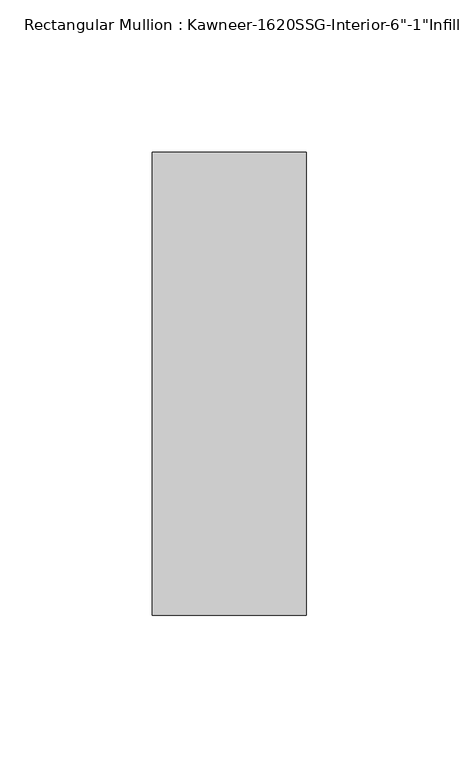
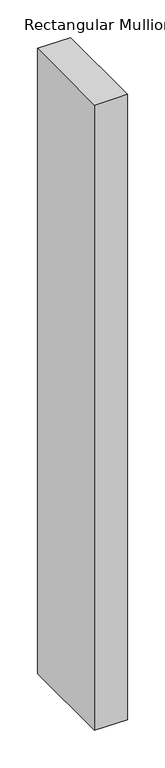
"""IFC4 building model written with IfcOpenShell, lengths in millimetres: member geometry."""

import ifcopenshell
import ifcopenshell.guid

model = None  # the IFC model being written
_history = None  # IfcOwnerHistory: only IFC2X3 demands one
_inside = {}  # id of a spatial element -> (the spatial element, [elements in it])
_under = {}  # id of a project, library or spatial element -> (it, [spatial elements below it])
_declared = {}  # id of a project -> (the project, [libraries it declares])
_typed = {}  # id of a type object -> (the type object, [elements of that type])
_made_of = {}  # id of a material, layer set ... -> (it, [elements and type objects made of it])


def new_model(schema):
    """Start an empty IFC model of exactly this schema.

    Asked for "IFC4X3", IfcOpenShell would pick the latest addendum, in which some entities
    have other attributes; the version numbers below select the first issue.
    IFC2X3 requires an IfcOwnerHistory on every rooted entity: one is made here for all.
    """
    global model, _history
    if schema == "IFC4X3":
        model = ifcopenshell.file(schema_version=(4, 3, 0, 0))
    else:
        model = ifcopenshell.file(schema=schema)
    _inside.clear()
    _under.clear()
    _declared.clear()
    _typed.clear()
    _made_of.clear()
    _history = None
    if model.schema == "IFC2X3":
        org = make("IfcOrganization", Name="unknown")
        user = make(
            "IfcPersonAndOrganization",
            ThePerson=make("IfcPerson", FamilyName="unknown"),
            TheOrganization=org,
        )
        app = make(
            "IfcApplication",
            ApplicationDeveloper=org,
            Version="unknown",
            ApplicationFullName="unknown",
            ApplicationIdentifier="unknown",
        )
        _history = make(
            "IfcOwnerHistory",
            OwningUser=user,
            OwningApplication=app,
            ChangeAction="ADDED",
            CreationDate=0,
        )
    return model


def make(cls, **values):
    """One entity of the class cls with the attributes given. An attribute that is None is left unset."""
    return model.create_entity(
        cls, **{name: value for name, value in values.items() if value is not None}
    )


def rooted(cls, **values):
    """An entity with a GlobalId (a new one), such as an element, a storey or a relation."""
    return make(cls, GlobalId=ifcopenshell.guid.new(), OwnerHistory=_history, **values)


def si_unit(unit_type, name, prefix=None):
    """IfcSIUnit, for example si_unit("LENGTHUNIT", "METRE", prefix="MILLI")."""
    return make("IfcSIUnit", UnitType=unit_type, Prefix=prefix, Name=name)


def assignment(units):
    """IfcUnitAssignment: the units of a project."""
    return None if units is None else make("IfcUnitAssignment", Units=units)


def point(xyz):
    """IfcCartesianPoint."""
    return None if xyz is None else make("IfcCartesianPoint", Coordinates=xyz)


def direction(xyz):
    """IfcDirection."""
    return None if xyz is None else make("IfcDirection", DirectionRatios=xyz)


def frame(location, z_axis=None, x_axis=None):
    """IfcAxis2Placement3D, a coordinate frame: its origin and axes. An axis left out is left unset."""
    return make(
        "IfcAxis2Placement3D",
        Location=point(location),
        Axis=direction(z_axis),
        RefDirection=direction(x_axis),
    )


def origin():
    """The frame at (0, 0, 0) with its axes left unset."""
    return frame((0.0, 0.0, 0.0))


def place(relative_to, where):
    """IfcLocalPlacement: puts the frame where relative to a parent placement (None: the world)."""
    return make(
        "IfcLocalPlacement", PlacementRelTo=relative_to, RelativePlacement=where
    )


def context(
    kind, dimensions, precision=None, world=None, true_north=None, identifier=None
):
    """IfcGeometricRepresentationContext, for example the 3D "Model" context."""
    return make(
        "IfcGeometricRepresentationContext",
        ContextIdentifier=identifier,
        ContextType=kind,
        CoordinateSpaceDimension=dimensions,
        Precision=precision,
        WorldCoordinateSystem=world,
        TrueNorth=true_north,
    )


def project(units=None, contexts=None):
    """IfcProject with its units and contexts."""
    return rooted(
        "IfcProject",
        Name="project",
        RepresentationContexts=contexts,
        UnitsInContext=assignment(units),
    )


def spatial(cls, under=None, at=None, **own):
    """A site, building, storey or space (cls), placed at a placement, below another one or the project."""
    s = rooted(cls, ObjectPlacement=at, **own)
    if under is not None:
        _under.setdefault(under.id(), (under, []))[1].append(s)
    return s


def polyline(points):
    """IfcPolyline through the points."""
    return make("IfcPolyline", Points=[point(p) for p in points])


def outline(outer, holes=None, kind="AREA"):
    """IfcArbitraryClosedProfileDef: a profile drawn as a closed curve; with holes, ...WithVoids."""
    if holes is None:
        return make("IfcArbitraryClosedProfileDef", ProfileType=kind, OuterCurve=outer)
    return make(
        "IfcArbitraryProfileDefWithVoids",
        ProfileType=kind,
        OuterCurve=outer,
        InnerCurves=holes,
    )


def extrude(swept, where, along, depth):
    """IfcExtrudedAreaSolid: the profile swept, set in the frame where, extruded along a direction by depth."""
    return make(
        "IfcExtrudedAreaSolid",
        SweptArea=swept,
        Position=where,
        ExtrudedDirection=direction(along),
        Depth=depth,
    )


def shape(context_of_items, identifier, shape_type, items):
    """IfcShapeRepresentation: the items that make up one representation, for example the "Body"."""
    return make(
        "IfcShapeRepresentation",
        ContextOfItems=context_of_items,
        RepresentationIdentifier=identifier,
        RepresentationType=shape_type,
        Items=items,
    )


def source(mapping_origin, context_of_items, identifier, shape_type, items):
    """IfcRepresentationMap: a shape defined once, which mapped items show again and again."""
    return make(
        "IfcRepresentationMap",
        MappingOrigin=mapping_origin,
        MappedRepresentation=shape(context_of_items, identifier, shape_type, items),
    )


def transform(
    local_origin,
    x_axis=None,
    y_axis=None,
    z_axis=None,
    scale=None,
    scale2=None,
    scale3=None,
    uniform=True,
):
    """IfcCartesianTransformationOperator3D, or its non-uniform kind. x_axis, y_axis, z_axis: its Axis1, 2, 3."""
    if uniform:
        return make(
            "IfcCartesianTransformationOperator3D",
            Axis1=direction(x_axis),
            Axis2=direction(y_axis),
            LocalOrigin=point(local_origin),
            Scale=scale,
            Axis3=direction(z_axis),
        )
    return make(
        "IfcCartesianTransformationOperator3DnonUniform",
        Axis1=direction(x_axis),
        Axis2=direction(y_axis),
        LocalOrigin=point(local_origin),
        Scale=scale,
        Axis3=direction(z_axis),
        Scale2=scale2,
        Scale3=scale3,
    )


def mapped(mapping_source, mapping_target):
    """IfcMappedItem: shows the shape of a source again, moved by a transform."""
    return make(
        "IfcMappedItem", MappingSource=mapping_source, MappingTarget=mapping_target
    )


def made_of(thing, what):
    """Note that an element or type object is made of a material, layer set ...; save() writes the relation."""
    if what is not None:
        _made_of.setdefault(what.id(), (what, []))[1].append(thing)
    return thing


def element(
    cls,
    number,
    at=None,
    inside=None,
    cuts=None,
    type_object=None,
    material=None,
    context=None,
    identifier="Body",
    shape_type=None,
    held_by="IfcProductDefinitionShape",
    body=None,
    shapes=None,
    **own,
):
    """One element of the class cls, such as IfcWall. Its Tag is "e" and its number.

    at: its placement. inside: the storey or other place that contains it. cuts: it is an
    opening in that element (IfcRelVoidsElement). A single representation is given by context,
    identifier, shape_type and body (its items); several are given by shapes. held_by: the class
    of the entity that holds the representations. save() writes the other relations.
    """
    e = rooted(cls, Tag="e%d" % number, ObjectPlacement=at, **own)
    if body is not None:
        shapes = [shape(context, identifier, shape_type, body)]
    if shapes is not None:
        e.Representation = make(held_by, Representations=shapes)
    if inside is not None:
        _inside.setdefault(inside.id(), (inside, []))[1].append(e)
    if cuts is not None:
        rooted(
            "IfcRelVoidsElement", RelatingBuildingElement=cuts, RelatedOpeningElement=e
        )
    if type_object is not None:
        _typed.setdefault(type_object.id(), (type_object, []))[1].append(e)
    return made_of(e, material)


def aggregate(whole, parts):
    """IfcRelAggregates: a whole, such as a stair, and the parts it consists of."""
    return rooted("IfcRelAggregates", RelatingObject=whole, RelatedObjects=parts)


def save(model, path):
    """Write the relations noted so far, then the file.

    IfcRelAggregates (storeys below a building ...), IfcRelContainedInSpatialStructure (elements
    in a storey), IfcRelDefinesByType, IfcRelAssociatesMaterial and IfcRelDeclares: one each for
    every whole, place, type object, material and project.
    """
    for whole, parts in _under.values():
        aggregate(whole, parts)
    for where, things in _inside.values():
        rooted(
            "IfcRelContainedInSpatialStructure",
            RelatedElements=things,
            RelatingStructure=where,
        )
    for kind, things in _typed.values():
        rooted("IfcRelDefinesByType", RelatedObjects=things, RelatingType=kind)
    for what, things in _made_of.values():
        rooted("IfcRelAssociatesMaterial", RelatedObjects=things, RelatingMaterial=what)
    for by, libraries in _declared.values():
        rooted("IfcRelDeclares", RelatingContext=by, RelatedDefinitions=libraries)
    model.write(path)


def member_c64f8751(model_context):
    return source(origin(), model_context, "Body", "SweptSolid", [
        extrude(outline(polyline([(25.4, 114.3), (25.4, -38.1), (-25.4, -38.1), (-25.4, 114.3), (25.4, 114.3)])), frame((0.0, 0.0, -1016.0), z_axis=(0.0, 0.0, 1.0), x_axis=(1.0, 0.0, 0.0)), (0.0, 0.0, 1.0), 1016.0),
    ])


if __name__ == "__main__":
    model = new_model("IFC4")
    model_context = context("Model", 3, world=origin())
    ifc_project = project(units=[si_unit("LENGTHUNIT", "METRE", prefix="MILLI")], contexts=[model_context])
    site = spatial("IfcSite", under=ifc_project)
    building = spatial("IfcBuilding", under=site)
    placement = place(None, origin())
    member_shape = member_c64f8751(model_context)
    element("IfcMember", 1, ObjectType="Rectangular Mullion : Kawneer-1620SSG-Interior-6\"-1\"Infill", at=placement, inside=building, context=model_context, shape_type="MappedRepresentation", body=[
        mapped(member_shape, transform((0.0, 0.0, 0.0), x_axis=(1.0, 0.0, 0.0), y_axis=(0.0, 1.0, 0.0), z_axis=(0.0, 0.0, 1.0))),
    ])
    save(model, "model.ifc")
